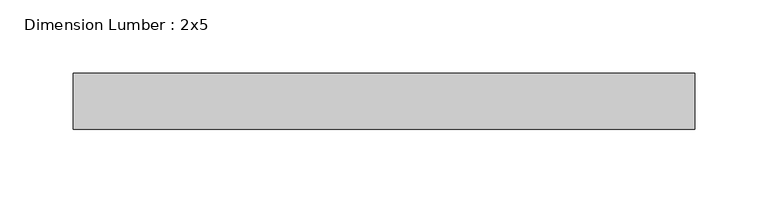
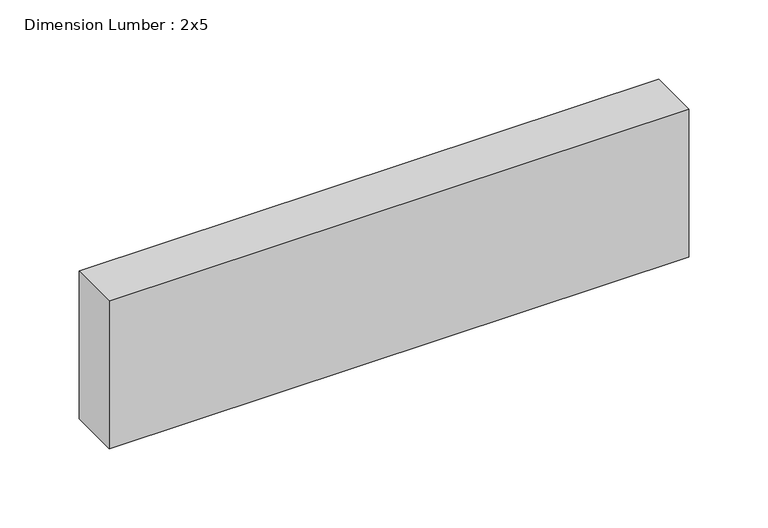
"""IFC4 building model written with IfcOpenShell, lengths in millimetres: beam geometry, Dimension Lumber : 2x5."""

from ifc_helpers import new_model, si_unit, frame, origin, place, context, project, spatial, polyline, outline, extrude, source, transform, mapped, element, save


def dimension_lumber_2x5_8d311cb0(model_context):
    return source(origin(), model_context, "Body", "SweptSolid", [
        extrude(outline(polyline([(212.8129286, 19.05), (212.8129286, -19.05), (-210.1375819, -19.05), (-210.1375819, 19.05), (212.8129286, 19.05)])), frame((0.0, 0.0, -57.15), z_axis=(0.0, 0.0, 1.0), x_axis=(1.0, 0.0, 0.0)), (0.0, 0.0, 1.0), 114.3),
    ])


if __name__ == "__main__":
    model = new_model("IFC4")
    model_context = context("Model", 3, world=origin())
    ifc_project = project(units=[si_unit("LENGTHUNIT", "METRE", prefix="MILLI")], contexts=[model_context])
    site = spatial("IfcSite", under=ifc_project)
    building = spatial("IfcBuilding", under=site)
    placement = place(None, origin())
    dimension_lumber_2x5_shape = dimension_lumber_2x5_8d311cb0(model_context)
    element("IfcBeam", 1, ObjectType="Dimension Lumber : 2x5", at=placement, inside=building, context=model_context, shape_type="MappedRepresentation", body=[
        mapped(dimension_lumber_2x5_shape, transform((0.0, 0.0, 0.0), x_axis=(1.0, 0.0, 0.0), y_axis=(0.0, 1.0, 0.0), z_axis=(0.0, 0.0, 1.0))),
    ])
    save(model, "model.ifc")
